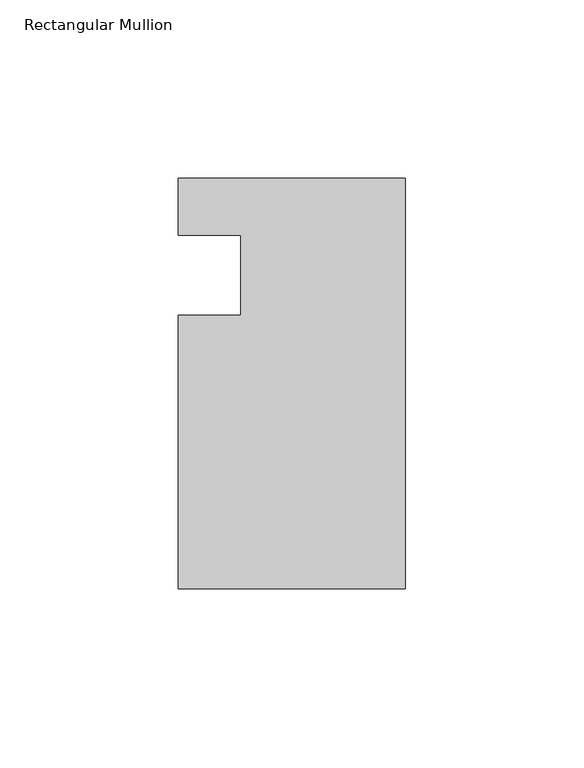
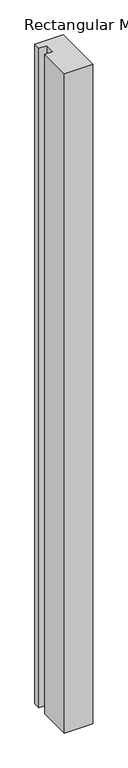
"""IFC4 building model written with IfcOpenShell, lengths in millimetres: member geometry, Rectangular Mullion."""

from ifc_helpers import new_model, si_unit, frame, origin, place, context, project, spatial, polyline, outline, extrude, source, transform, mapped, element, save


def rectangular_mullion_7de2fa2b(model_context):
    return source(origin(), model_context, "Body", "SweptSolid", [
        extrude(outline(polyline([(-63.5, -114.5309813), (-63.5, -38.0007813), (-46.0375, -38.0007812), (-46.0375, -15.5217812), (-63.5, -15.5217812), (-63.5, 0.3532188), (0.0, 0.3532188), (0.0, -114.5309813), (-63.5, -114.5309813)])), frame((0.0, 0.0, -1563.1059921), z_axis=(0.0, 0.0, 1.0), x_axis=(1.0, 0.0, 0.0)), (0.0, 0.0, 1.0), 1563.1059921),
    ])


if __name__ == "__main__":
    model = new_model("IFC4")
    model_context = context("Model", 3, world=origin())
    ifc_project = project(units=[si_unit("LENGTHUNIT", "METRE", prefix="MILLI")], contexts=[model_context])
    site = spatial("IfcSite", under=ifc_project)
    building = spatial("IfcBuilding", under=site)
    placement = place(None, origin())
    rectangular_mullion_shape = rectangular_mullion_7de2fa2b(model_context)
    element("IfcMember", 1, ObjectType="Rectangular Mullion", at=placement, inside=building, context=model_context, shape_type="MappedRepresentation", body=[
        mapped(rectangular_mullion_shape, transform((0.0, 0.0, 0.0), x_axis=(1.0, 0.0, 0.0), y_axis=(0.0, 1.0, 0.0), z_axis=(0.0, 0.0, 1.0))),
    ])
    save(model, "model.ifc")
